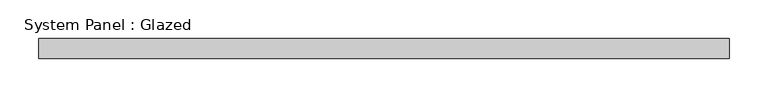
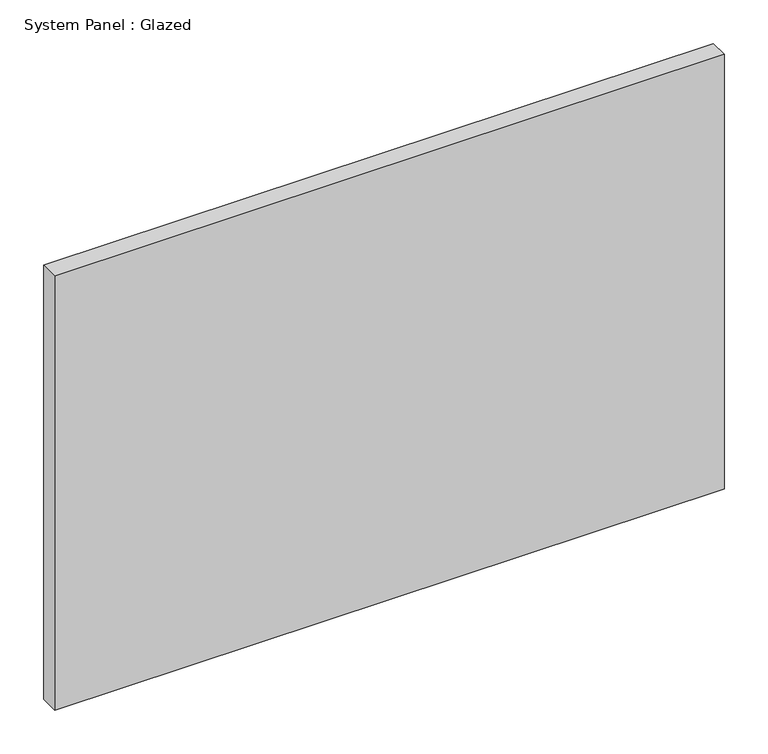
"""IFC4 building model written with IfcOpenShell, lengths in millimetres: plate geometry, System Panel : Glazed."""

from ifc_helpers import new_model, si_unit, origin, origin_with_axes, place, context, project, spatial, polyline, outline, extrude, source, transform, mapped, element, save


def system_panel_glazed_f6a48892(model_context):
    return source(origin(), model_context, "Body", "SweptSolid", [
        extrude(outline(polyline([(444.5, 19.05), (-444.5, 19.05), (-444.5, 44.45), (444.5, 44.45), (444.5, 19.05)])), origin_with_axes(), (0.0, 0.0, 1.0), 609.6),
    ])


if __name__ == "__main__":
    model = new_model("IFC4")
    model_context = context("Model", 3, world=origin())
    ifc_project = project(units=[si_unit("LENGTHUNIT", "METRE", prefix="MILLI")], contexts=[model_context])
    site = spatial("IfcSite", under=ifc_project)
    building = spatial("IfcBuilding", under=site)
    placement = place(None, origin())
    system_panel_glazed_shape = system_panel_glazed_f6a48892(model_context)
    element("IfcPlate", 1, ObjectType="System Panel : Glazed", at=placement, inside=building, context=model_context, shape_type="MappedRepresentation", body=[
        mapped(system_panel_glazed_shape, transform((0.0, 0.0, 0.0), x_axis=(1.0, 0.0, 0.0), y_axis=(0.0, 1.0, 0.0), z_axis=(0.0, 0.0, 1.0))),
    ])
    save(model, "model.ifc")
